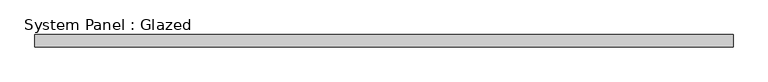
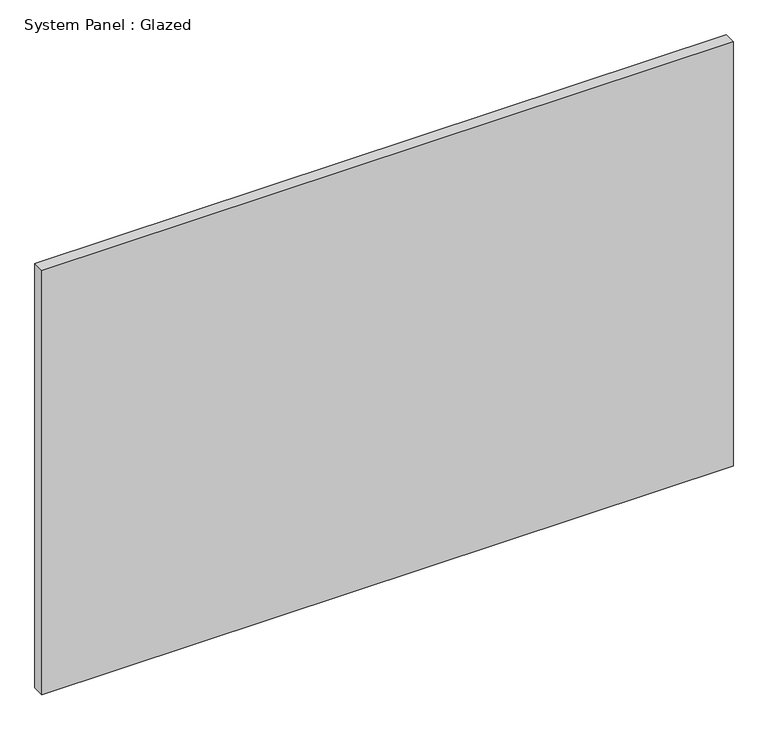
"""IFC4 building model written with IfcOpenShell, lengths in millimetres: plate geometry, System Panel : Glazed."""

from ifc_helpers import new_model, si_unit, origin, origin_with_axes, place, context, project, spatial, polyline, outline, extrude, source, transform, mapped, element, save


def system_panel_glazed_5cbcf62b(model_context):
    return source(origin(), model_context, "Body", "SweptSolid", [
        extrude(outline(polyline([(712.5000001, 24.5), (-712.5000001, 24.5), (-712.5000001, 49.5), (712.5000001, 49.5), (712.5000001, 24.5)])), origin_with_axes(), (0.0, 0.0, 1.0), 925.0),
    ])


if __name__ == "__main__":
    model = new_model("IFC4")
    model_context = context("Model", 3, world=origin())
    ifc_project = project(units=[si_unit("LENGTHUNIT", "METRE", prefix="MILLI")], contexts=[model_context])
    site = spatial("IfcSite", under=ifc_project)
    building = spatial("IfcBuilding", under=site)
    placement = place(None, origin())
    system_panel_glazed_shape = system_panel_glazed_5cbcf62b(model_context)
    element("IfcPlate", 1, ObjectType="System Panel : Glazed", at=placement, inside=building, context=model_context, shape_type="MappedRepresentation", body=[
        mapped(system_panel_glazed_shape, transform((0.0, 0.0, 0.0), x_axis=(1.0, 0.0, 0.0), y_axis=(0.0, 1.0, 0.0), z_axis=(0.0, 0.0, 1.0))),
    ])
    save(model, "model.ifc")
